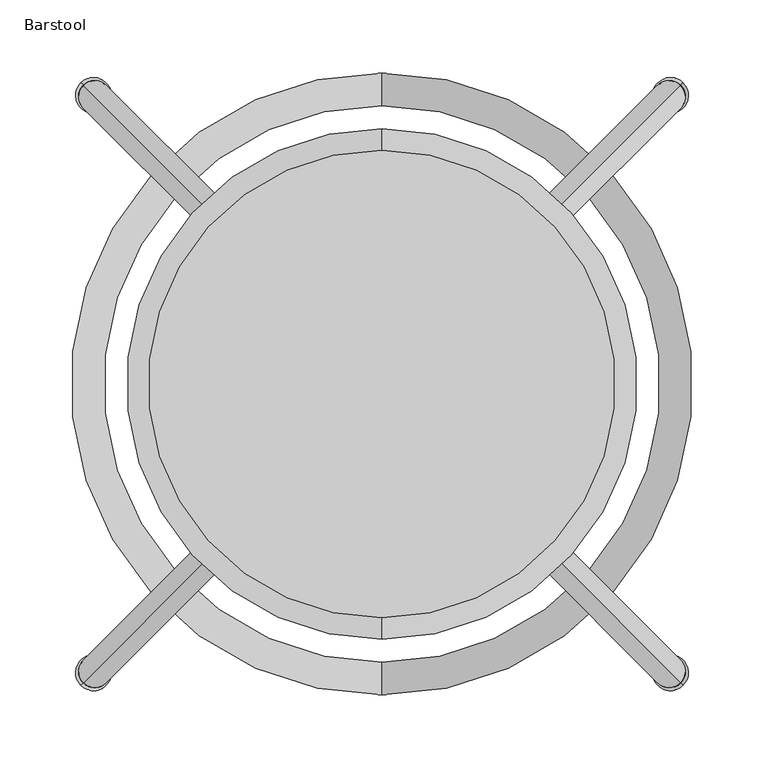
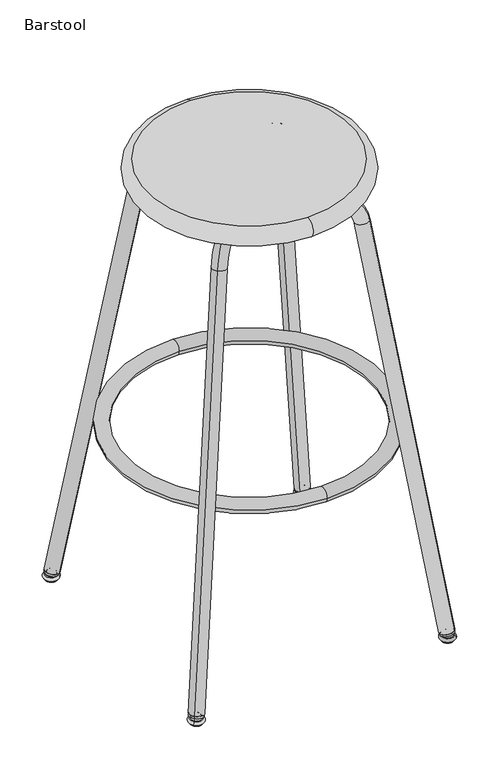
"""IFC4 building model written with IfcOpenShell, lengths in millimetres: furniture geometry, Barstool."""

from ifc_helpers import new_model, si_unit, point, frame, origin, origin_2d, place, context, project, spatial, circle_curve, ellipse_curve, trimmed, segment, composite_curve, outline, extrude, source, transform, mapped, element, save
from ifc_brep_helpers import plane_surface, cylinder_surface, revolved_surface, advanced_brep


def barstool_68993455(model_context):
    return source(origin(), model_context, "Body", "SolidModel", [
        advanced_brep(
        [(197.848752, 197.8483342, 16.3000797), (192.2626132, 192.2621954, 8.4000865), (203.4348908, 203.4344729, 8.4000865), (191.0445948, 191.0441769, 8.4000865), (204.6529093, 204.6524914, 8.4000865), (191.1893838, 191.1889659, 3.1000115), (204.5081203, 204.5077024, 3.1000115), (191.1893838, 191.1889659, 1.4499962), (204.5081203, 204.5077024, 1.4499962), (192.2146859, 192.2142681, 0.0), (203.4828181, 203.4824003, 0.0), (197.848752, 197.8483342, 0.0)],
        [
            (0, 1, circle_curve(frame((197.848752, 197.8483342, 8.4000865), z_axis=(0.7071067811865481, -0.707106781186547, 0.0), x_axis=(0.707106781186547, 0.7071067811865481, 0.0)), 7.8999932)),
            (1, 2, circle_curve(frame((197.848752, 197.8483342, 8.4000865), z_axis=(0.0, 0.0, 1.0), x_axis=(-0.707106781186547, -0.7071067811865481, 0.0)), 7.8999932)),
            (2, 0, circle_curve(frame((197.848752, 197.8483342, 8.4000865), z_axis=(0.7071067811865458, -0.7071067811865493, 0.0), x_axis=(-0.7071067811865493, -0.7071067811865458, 0.0)), 7.8999932)),
            (2, 1, circle_curve(frame((197.848752, 197.8483342, 8.4000865), z_axis=(0.0, 0.0, 1.0), x_axis=(-0.707106781186547, -0.7071067811865481, 0.0)), 7.8999932)),
            (1, 3),
            (3, 4, circle_curve(frame((197.848752, 197.8483342, 8.4000865), z_axis=(0.0, 0.0, 1.0), x_axis=(-0.707106781186547, -0.7071067811865481, 0.0)), 9.6225315)),
            (4, 2),
            (4, 3, circle_curve(frame((197.848752, 197.8483342, 8.4000865), z_axis=(0.0, 0.0, 1.0), x_axis=(-0.707106781186547, -0.7071067811865481, 0.0)), 9.6225315)),
            (3, 5, circle_curve(frame((191.0445948, 191.0441769, 5.7460936), z_axis=(0.7071067811865481, -0.707106781186547, 0.0), x_axis=(0.707106781186547, 0.7071067811865481, 0.0)), 2.6539929)),
            (5, 6, circle_curve(frame((197.848752, 197.8483342, 3.1000115), z_axis=(0.0, 0.0, 1.0), x_axis=(-0.707106781186547, -0.7071067811865481, 0.0)), 9.4177689)),
            (6, 4, circle_curve(frame((204.6529093, 204.6524914, 5.7460936), z_axis=(0.7071067811865458, -0.7071067811865493, 0.0), x_axis=(-0.7071067811865493, -0.7071067811865458, 0.0)), 2.6539929)),
            (6, 5, circle_curve(frame((197.848752, 197.8483342, 3.1000115), z_axis=(0.0, 0.0, 1.0), x_axis=(-0.707106781186547, -0.7071067811865481, 0.0)), 9.4177689)),
            (5, 7),
            (7, 8, circle_curve(frame((197.848752, 197.8483342, 1.4499962), z_axis=(0.0, 0.0, 1.0), x_axis=(-0.707106781186547, -0.7071067811865481, 0.0)), 9.4177689)),
            (8, 6),
            (8, 7, circle_curve(frame((197.848752, 197.8483342, 1.4499962), z_axis=(0.0, 0.0, 1.0), x_axis=(-0.707106781186547, -0.7071067811865481, 0.0)), 9.4177689)),
            (7, 9, circle_curve(frame((192.2146859, 192.2142681, 1.4499962), z_axis=(0.7071067811865481, -0.707106781186547, 0.0), x_axis=(0.707106781186547, 0.7071067811865481, 0.0)), 1.4499962)),
            (9, 10, circle_curve(frame((197.848752, 197.8483342, 0.0), z_axis=(0.0, 0.0, 1.0), x_axis=(-0.707106781186547, -0.7071067811865481, 0.0)), 7.9677727)),
            (10, 8, circle_curve(frame((203.4828181, 203.4824003, 1.4499962), z_axis=(0.7071067811865458, -0.7071067811865493, 0.0), x_axis=(-0.7071067811865493, -0.7071067811865458, 0.0)), 1.4499962)),
            (10, 9, circle_curve(frame((197.848752, 197.8483342, 0.0), z_axis=(0.0, 0.0, 1.0), x_axis=(-0.707106781186547, -0.7071067811865481, 0.0)), 7.9677727)),
            (9, 11),
            (11, 10),
        ],
        [
            revolved_surface(trimmed(ellipse_curve(frame((197.848752, 197.8483342, 8.4000865), z_axis=(-0.7071067811865481, 0.707106781186547, 0.0), x_axis=(0.707106781186547, 0.7071067811865481, 0.0)), 7.8999932, 7.8999932), [point((192.2626132, 192.2621954, 8.4000865))], [point((197.848752, 197.8483342, 16.3000797))], True, "CARTESIAN"), (197.848752, 197.8483342, 16.3000797), (0.0, 0.0, 1.0)),
            plane_surface(frame((197.848752, 197.8483342, 8.4000865), z_axis=(0.0, 0.0, 1.0000000000000002), x_axis=(-0.707106781186547, -0.7071067811865481, 0.0))),
            revolved_surface(trimmed(ellipse_curve(frame((191.0445948, 191.0441769, 5.7460936), z_axis=(-0.7071067811865481, 0.707106781186547, 0.0), x_axis=(0.707106781186547, 0.7071067811865481, 0.0)), 2.6539929, 2.6539929), [point((191.1893838, 191.1889659, 3.1000115))], [point((191.0445948, 191.0441769, 8.4000865))], True, "CARTESIAN"), (197.848752, 197.8483342, 16.3000797), (0.0, 0.0, 1.0)),
            cylinder_surface(frame((197.848752, 197.8483342, 16.3000797), z_axis=(0.0, 0.0, 1.0), x_axis=(-0.707106781186547, -0.7071067811865481, 0.0)), 9.4177689),
            revolved_surface(trimmed(ellipse_curve(frame((192.2146859, 192.2142681, 1.4499962), z_axis=(-0.7071067811865481, 0.707106781186547, 0.0), x_axis=(0.707106781186547, 0.7071067811865481, 0.0)), 1.4499962, 1.4499962), [point((192.2146859, 192.2142681, 0.0))], [point((191.1893838, 191.1889659, 1.4499962))], True, "CARTESIAN"), (197.848752, 197.8483342, 16.3000797), (0.0, 0.0, 1.0)),
            plane_surface(frame((197.848752, 197.8483342, 0.0), z_axis=(0.0, 0.0, -1.0000000000000002), x_axis=(-0.707106781186547, -0.7071067811865481, 0.0))),
        ],
        [
            (0, [[1, 2, 3]]),
            (0, [[-3, 4, -1]]),
            (1, [[-2, 5, 6, 7]]),
            (1, [[-4, -7, 8, -5]]),
            (2, [[-6, 9, 10, 11]]),
            (2, [[-8, -11, 12, -9]]),
            (3, [[-10, 13, 14, 15]]),
            (3, [[-12, -15, 16, -13]]),
            (4, [[-14, 17, 18, 19]]),
            (4, [[-16, -19, 20, -17]]),
            (5, [[-18, 21, 22]]),
            (5, [[-20, -22, -21]]),
        ],
    ),
        extrude(outline(composite_curve([segment(trimmed(circle_curve(origin_2d(), 10.8808144), [point((1e-07, -10.8808143))], [point((0.0, 10.8808144))], False, "CARTESIAN"), True, "CONTINUOUS"), segment(trimmed(circle_curve(origin_2d(), 10.8808144), [point((0.0, 10.8808144))], [point((1e-07, -10.8808143))], False, "CARTESIAN"), True, "CONTINUOUS")], self_intersect=False)), frame((197.306825, 197.3064071, 12.0385897), z_axis=(-0.12580943590184507, -0.1258094359018453, 0.9840447000396471), x_axis=(-0.7071067811865481, 0.7071067811865469, 0.0)), (0.0, 0.0, 1.0), 3.0595967),
        advanced_brep(
        [(189.1686646, 189.1682467, 13.0668423), (204.6751331, 204.6747152, 17.0318969), (120.1861909, 120.185773, 677.8677465), (104.6797179, 104.6793, 673.9027268), (84.5809729, 84.580555, 697.6482886), (84.5809729, 84.580555, 719.9333237), (0.0002089, -0.0002089, 697.6482886), (0.0002089, -0.0002089, 719.9333237)],
        [
            (0, 1, circle_curve(frame((196.9218988, 196.921481, 15.0493696), z_axis=(0.1258116490323875, 0.12581164903238776, -0.9840441341400815), x_axis=(0.6958242802372958, 0.6958242802372967, 0.17792454036612648)), 11.1425176)),
            (1, 0, circle_curve(frame((196.9218988, 196.921481, 15.0493696), z_axis=(0.1258116490323875, 0.12581164903238776, -0.9840441341400815), x_axis=(0.6958242802372958, 0.6958242802372967, 0.17792454036612648)), 11.1425176)),
            (1, 2),
            (2, 3, circle_curve(frame((112.4329566, 112.4325388, 675.8852192), z_axis=(0.12580943590184662, 0.12580943590184682, -0.9840447000396468), x_axis=(0.6958246803887159, 0.6958246803887167, 0.17792141052690016)), 11.1425176)),
            (3, 0),
            (3, 2, circle_curve(frame((112.4329566, 112.4325388, 675.8852192), z_axis=(0.12580943590184662, 0.12580943590184682, -0.9840447000396468), x_axis=(0.6958246803887159, 0.6958246803887167, 0.17792141052690016)), 11.1425176)),
            (4, 3, circle_curve(frame((84.5809729, 84.580555, 668.7635054), z_axis=(-0.7071067811865481, 0.707106781186547, 0.0), x_axis=(0.6958246803887158, 0.6958246803887168, 0.17792141052690022)), 28.8847832)),
            (2, 5, circle_curve(frame((84.5809729, 84.580555, 668.7635054), z_axis=(0.7071067811865481, -0.707106781186547, 0.0), x_axis=(0.6958246803887158, 0.6958246803887168, 0.17792141052690022)), 51.1698183)),
            (5, 4, circle_curve(frame((84.5809729, 84.580555, 708.7908062), z_axis=(0.707106781186547, 0.7071067811865481, 0.0), x_axis=(0.0, 0.0, 1.0000000000000002)), 11.1425176)),
            (4, 5, circle_curve(frame((84.5809729, 84.580555, 708.7908062), z_axis=(0.7071067811865471, 0.7071067811865481, 0.0), x_axis=(0.0, 0.0, 1.0000000000000002)), 11.1425176)),
            (6, 7, circle_curve(frame((0.0002089, -0.0002089, 708.7908062), z_axis=(-0.707106781186547, -0.7071067811865481, 0.0), x_axis=(0.0, 0.0, 1.0)), 11.1425176)),
            (7, 6, circle_curve(frame((0.0002089, -0.0002089, 708.7908062), z_axis=(-0.707106781186547, -0.7071067811865481, 0.0), x_axis=(0.0, 0.0, 1.0)), 11.1425176)),
            (5, 7),
            (6, 4),
        ],
        [
            plane_surface(frame((196.9218988, 196.921481, 15.0493696), z_axis=(0.1258116490323875, 0.12581164903238776, -0.9840441341400816), x_axis=(-0.7071067811865481, 0.707106781186547, 0.0))),
            cylinder_surface(frame((196.9218988, 196.921481, 15.0493696), z_axis=(0.1258116490323875, 0.12581164903238776, -0.9840441341400815), x_axis=(0.6958242802372958, 0.6958242802372967, 0.17792454036612648)), 11.1425176),
            revolved_surface(trimmed(ellipse_curve(frame((112.4329566, 112.4325388, 675.8852192), z_axis=(0.12580943590184662, 0.12580943590184682, -0.9840447000396468), x_axis=(0.6958246803887159, 0.6958246803887167, 0.17792141052690016)), 11.1425176, 11.1425176), [point((120.1861953, 120.1857775, 677.8677116))], [point((104.6797179, 104.6793, 673.9027268))], True, "CARTESIAN"), (84.5809729, 84.580555, 668.7635054), (0.7071067811865481, -0.707106781186547, 0.0)),
            revolved_surface(trimmed(ellipse_curve(frame((112.4329566, 112.4325388, 675.8852192), z_axis=(0.12580943590184662, 0.12580943590184682, -0.9840447000396468), x_axis=(0.6958246803887159, 0.6958246803887167, 0.17792141052690016)), 11.1425176, 11.1425176), [point((104.6797179, 104.6793, 673.9027268))], [point((120.1861953, 120.1857775, 677.8677116))], True, "CARTESIAN"), (84.5809729, 84.580555, 668.7635054), (0.7071067811865481, -0.707106781186547, 0.0)),
            plane_surface(frame((0.0002089, -0.0002089, 708.7908062), z_axis=(-0.707106781186547, -0.707106781186548, 0.0), x_axis=(-0.707106781186548, 0.707106781186547, 0.0))),
            cylinder_surface(frame((84.5809729, 84.580555, 708.7908062), z_axis=(0.7071067811865469, 0.707106781186548, 0.0), x_axis=(0.0, 0.0, 1.0)), 11.1425176),
        ],
        [
            (0, [[1, 2]]),
            (1, [[-2, 3, 4, 5]]),
            (1, [[-1, -5, 6, -3]]),
            (2, [[7, -4, 8, 9]]),
            (3, [[-8, -6, -7, 10]]),
            (4, [[11, 12]]),
            (5, [[-9, 13, -11, 14]]),
            (5, [[-10, -14, -12, -13]]),
        ],
    ),
        advanced_brep(
        [(197.848752, -197.848752, 16.3000797), (192.2626132, -192.2626132, 8.4000865), (203.4348908, -203.4348908, 8.4000865), (191.0445948, -191.0445948, 8.4000865), (204.6529093, -204.6529093, 8.4000865), (191.1893838, -191.1893838, 3.1000115), (204.5081203, -204.5081203, 3.1000115), (191.1893838, -191.1893838, 1.4499962), (204.5081203, -204.5081203, 1.4499962), (192.2146859, -192.2146859, 0.0), (203.4828181, -203.4828181, 0.0), (197.848752, -197.848752, 0.0)],
        [
            (0, 1, circle_curve(frame((197.848752, -197.848752, 8.4000865), z_axis=(-0.707106781186547, -0.7071067811865481, 0.0), x_axis=(0.7071067811865481, -0.707106781186547, 0.0)), 7.8999932)),
            (1, 2, circle_curve(frame((197.848752, -197.848752, 8.4000865), z_axis=(0.0, 0.0, 1.0), x_axis=(-0.7071067811865481, 0.707106781186547, 0.0)), 7.8999932)),
            (2, 0, circle_curve(frame((197.848752, -197.848752, 8.4000865), z_axis=(-0.7071067811865493, -0.7071067811865458, 0.0), x_axis=(-0.7071067811865458, 0.7071067811865493, 0.0)), 7.8999932)),
            (2, 1, circle_curve(frame((197.848752, -197.848752, 8.4000865), z_axis=(0.0, 0.0, 1.0), x_axis=(-0.7071067811865481, 0.707106781186547, 0.0)), 7.8999932)),
            (1, 3),
            (3, 4, circle_curve(frame((197.848752, -197.848752, 8.4000865), z_axis=(0.0, 0.0, 1.0), x_axis=(-0.7071067811865481, 0.707106781186547, 0.0)), 9.6225315)),
            (4, 2),
            (4, 3, circle_curve(frame((197.848752, -197.848752, 8.4000865), z_axis=(0.0, 0.0, 1.0), x_axis=(-0.7071067811865481, 0.707106781186547, 0.0)), 9.6225315)),
            (3, 5, circle_curve(frame((191.0445948, -191.0445948, 5.7460936), z_axis=(-0.707106781186547, -0.7071067811865481, 0.0), x_axis=(0.7071067811865481, -0.707106781186547, 0.0)), 2.6539929)),
            (5, 6, circle_curve(frame((197.848752, -197.848752, 3.1000115), z_axis=(0.0, 0.0, 1.0), x_axis=(-0.7071067811865481, 0.707106781186547, 0.0)), 9.4177689)),
            (6, 4, circle_curve(frame((204.6529093, -204.6529093, 5.7460936), z_axis=(-0.7071067811865493, -0.7071067811865458, 0.0), x_axis=(-0.7071067811865458, 0.7071067811865493, 0.0)), 2.6539929)),
            (6, 5, circle_curve(frame((197.848752, -197.848752, 3.1000115), z_axis=(0.0, 0.0, 1.0), x_axis=(-0.7071067811865481, 0.707106781186547, 0.0)), 9.4177689)),
            (5, 7),
            (7, 8, circle_curve(frame((197.848752, -197.848752, 1.4499962), z_axis=(0.0, 0.0, 1.0), x_axis=(-0.7071067811865481, 0.707106781186547, 0.0)), 9.4177689)),
            (8, 6),
            (8, 7, circle_curve(frame((197.848752, -197.848752, 1.4499962), z_axis=(0.0, 0.0, 1.0), x_axis=(-0.7071067811865481, 0.707106781186547, 0.0)), 9.4177689)),
            (7, 9, circle_curve(frame((192.2146859, -192.2146859, 1.4499962), z_axis=(-0.707106781186547, -0.7071067811865481, 0.0), x_axis=(0.7071067811865481, -0.707106781186547, 0.0)), 1.4499962)),
            (9, 10, circle_curve(frame((197.848752, -197.848752, 0.0), z_axis=(0.0, 0.0, 1.0), x_axis=(-0.7071067811865481, 0.707106781186547, 0.0)), 7.9677727)),
            (10, 8, circle_curve(frame((203.4828181, -203.4828181, 1.4499962), z_axis=(-0.7071067811865493, -0.7071067811865458, 0.0), x_axis=(-0.7071067811865458, 0.7071067811865493, 0.0)), 1.4499962)),
            (10, 9, circle_curve(frame((197.848752, -197.848752, 0.0), z_axis=(0.0, 0.0, 1.0), x_axis=(-0.7071067811865481, 0.707106781186547, 0.0)), 7.9677727)),
            (9, 11),
            (11, 10),
        ],
        [
            revolved_surface(trimmed(ellipse_curve(frame((197.848752, -197.848752, 8.4000865), z_axis=(0.707106781186547, 0.7071067811865481, 0.0), x_axis=(0.7071067811865481, -0.707106781186547, 0.0)), 7.8999932, 7.8999932), [point((192.2626132, -192.2626132, 8.4000865))], [point((197.848752, -197.848752, 16.3000797))], True, "CARTESIAN"), (197.848752, -197.848752, 16.3000797), (0.0, 0.0, 1.0)),
            plane_surface(frame((197.848752, -197.848752, 8.4000865), z_axis=(0.0, 0.0, 1.0000000000000002), x_axis=(-0.7071067811865481, 0.707106781186547, 0.0))),
            revolved_surface(trimmed(ellipse_curve(frame((191.0445948, -191.0445948, 5.7460936), z_axis=(0.707106781186547, 0.7071067811865481, 0.0), x_axis=(0.7071067811865481, -0.707106781186547, 0.0)), 2.6539929, 2.6539929), [point((191.1893838, -191.1893838, 3.1000115))], [point((191.0445948, -191.0445948, 8.4000865))], True, "CARTESIAN"), (197.848752, -197.848752, 16.3000797), (0.0, 0.0, 1.0)),
            cylinder_surface(frame((197.848752, -197.848752, 16.3000797), z_axis=(0.0, 0.0, 1.0), x_axis=(-0.7071067811865481, 0.707106781186547, 0.0)), 9.4177689),
            revolved_surface(trimmed(ellipse_curve(frame((192.2146859, -192.2146859, 1.4499962), z_axis=(0.707106781186547, 0.7071067811865481, 0.0), x_axis=(0.7071067811865481, -0.707106781186547, 0.0)), 1.4499962, 1.4499962), [point((192.2146859, -192.2146859, 0.0))], [point((191.1893838, -191.1893838, 1.4499962))], True, "CARTESIAN"), (197.848752, -197.848752, 16.3000797), (0.0, 0.0, 1.0)),
            plane_surface(frame((197.848752, -197.848752, 0.0), z_axis=(0.0, 0.0, -1.0000000000000002), x_axis=(-0.7071067811865481, 0.707106781186547, 0.0))),
        ],
        [
            (0, [[1, 2, 3]]),
            (0, [[-3, 4, -1]]),
            (1, [[-2, 5, 6, 7]]),
            (1, [[-4, -7, 8, -5]]),
            (2, [[-6, 9, 10, 11]]),
            (2, [[-8, -11, 12, -9]]),
            (3, [[-10, 13, 14, 15]]),
            (3, [[-12, -15, 16, -13]]),
            (4, [[-14, 17, 18, 19]]),
            (4, [[-16, -19, 20, -17]]),
            (5, [[-18, 21, 22]]),
            (5, [[-20, -22, -21]]),
        ],
    ),
        extrude(outline(composite_curve([segment(trimmed(circle_curve(origin_2d(), 10.8808144), [point((0.0, -10.8808142))], [point((0.0, 10.8808144))], False, "CARTESIAN"), True, "CONTINUOUS"), segment(trimmed(circle_curve(origin_2d(), 10.8808144), [point((0.0, 10.8808144))], [point((0.0, -10.8808142))], False, "CARTESIAN"), True, "CONTINUOUS")], self_intersect=False)), frame((197.306825, -197.306825, 12.0385897), z_axis=(-0.12580943590184526, 0.1258094359018451, 0.9840447000396471), x_axis=(0.707106781186547, 0.707106781186548, 0.0)), (0.0, 0.0, 1.0), 3.0595967),
        advanced_brep(
        [(189.1686646, -189.1686646, 13.0668423), (204.6751331, -204.6751331, 17.0318969), (120.1861909, -120.1861909, 677.8677465), (104.6797179, -104.6797179, 673.9027268), (84.5809729, -84.5809729, 697.6482886), (84.5809729, -84.5809729, 719.9333237), (0.0002089, -0.0002089, 697.6482886), (0.0002089, -0.0002089, 719.9333237)],
        [
            (0, 1, circle_curve(frame((196.9218988, -196.9218988, 15.0493696), z_axis=(0.1258116490323893, -0.12581164903238906, -0.9840441341400811), x_axis=(0.6958242802372964, -0.6958242802372955, 0.17792454036612868)), 11.1425176)),
            (1, 0, circle_curve(frame((196.9218988, -196.9218988, 15.0493696), z_axis=(0.1258116490323893, -0.12581164903238906, -0.9840441341400811), x_axis=(0.6958242802372964, -0.6958242802372955, 0.17792454036612868)), 11.1425176)),
            (1, 2),
            (2, 3, circle_curve(frame((112.4329566, -112.4329566, 675.8852192), z_axis=(0.12580943590184676, -0.12580943590184657, -0.9840447000396468), x_axis=(0.6958246803887168, -0.6958246803887158, 0.17792141052690014)), 11.1425176)),
            (3, 0),
            (3, 2, circle_curve(frame((112.4329566, -112.4329566, 675.8852192), z_axis=(0.12580943590184676, -0.12580943590184657, -0.9840447000396468), x_axis=(0.6958246803887168, -0.6958246803887158, 0.17792141052690014)), 11.1425176)),
            (4, 3, circle_curve(frame((84.5809729, -84.5809729, 668.7635054), z_axis=(0.707106781186547, 0.7071067811865481, 0.0), x_axis=(0.6958246803887168, -0.6958246803887158, 0.17792141052690016)), 28.8847832)),
            (2, 5, circle_curve(frame((84.5809729, -84.5809729, 668.7635054), z_axis=(-0.707106781186547, -0.7071067811865481, 0.0), x_axis=(0.6958246803887168, -0.6958246803887158, 0.17792141052690016)), 51.1698183)),
            (5, 4, circle_curve(frame((84.5809729, -84.5809729, 708.7908062), z_axis=(0.7071067811865481, -0.7071067811865471, 0.0), x_axis=(0.0, 0.0, 1.0000000000000002)), 11.1425176)),
            (4, 5, circle_curve(frame((84.5809729, -84.5809729, 708.7908062), z_axis=(0.7071067811865481, -0.707106781186547, 0.0), x_axis=(0.0, 0.0, 1.0000000000000002)), 11.1425176)),
            (6, 7, circle_curve(frame((0.0002089, -0.0002089, 708.7908062), z_axis=(-0.7071067811865481, 0.707106781186547, 0.0), x_axis=(0.0, 0.0, 1.0)), 11.1425176)),
            (7, 6, circle_curve(frame((0.0002089, -0.0002089, 708.7908062), z_axis=(-0.7071067811865481, 0.707106781186547, 0.0), x_axis=(0.0, 0.0, 1.0)), 11.1425176)),
            (5, 7),
            (6, 4),
        ],
        [
            plane_surface(frame((196.9218988, -196.9218988, 15.0493696), z_axis=(0.12581164903238928, -0.12581164903238912, -0.9840441341400812), x_axis=(0.7071067811865471, 0.707106781186548, 0.0))),
            cylinder_surface(frame((196.9218988, -196.9218988, 15.0493696), z_axis=(0.1258116490323893, -0.12581164903238906, -0.9840441341400811), x_axis=(0.6958242802372964, -0.6958242802372955, 0.17792454036612868)), 11.1425176),
            revolved_surface(trimmed(ellipse_curve(frame((112.4329566, -112.4329566, 675.8852192), z_axis=(0.12580943590184676, -0.12580943590184657, -0.9840447000396468), x_axis=(0.6958246803887168, -0.6958246803887158, 0.17792141052690014)), 11.1425176, 11.1425176), [point((120.1861953, -120.1861953, 677.8677116))], [point((104.6797179, -104.6797179, 673.9027268))], True, "CARTESIAN"), (84.5809729, -84.5809729, 668.7635054), (-0.707106781186547, -0.7071067811865481, 0.0)),
            revolved_surface(trimmed(ellipse_curve(frame((112.4329566, -112.4329566, 675.8852192), z_axis=(0.12580943590184676, -0.12580943590184657, -0.9840447000396468), x_axis=(0.6958246803887168, -0.6958246803887158, 0.17792141052690014)), 11.1425176, 11.1425176), [point((104.6797179, -104.6797179, 673.9027268))], [point((120.1861953, -120.1861953, 677.8677116))], True, "CARTESIAN"), (84.5809729, -84.5809729, 668.7635054), (-0.707106781186547, -0.7071067811865481, 0.0)),
            plane_surface(frame((0.0002089, -0.0002089, 708.7908062), z_axis=(-0.7071067811865481, 0.707106781186547, 0.0), x_axis=(0.707106781186547, 0.7071067811865481, 0.0))),
            cylinder_surface(frame((84.5809729, -84.5809729, 708.7908062), z_axis=(0.7071067811865481, -0.707106781186547, 0.0), x_axis=(0.0, 0.0, 1.0)), 11.1425176),
        ],
        [
            (0, [[1, 2]]),
            (1, [[-2, 3, 4, 5]]),
            (1, [[-1, -5, 6, -3]]),
            (2, [[7, -4, 8, 9]]),
            (3, [[-8, -6, -7, 10]]),
            (4, [[11, 12]]),
            (5, [[-9, 13, -11, 14]]),
            (5, [[-10, -14, -12, -13]]),
        ],
    ),
        advanced_brep(
        [(-203.4348908, 203.4344729, 8.4000865), (-192.2626132, 192.2621954, 8.4000865), (-197.848752, 197.8483342, 16.3000797), (-204.6529093, 204.6524914, 8.4000865), (-191.0445948, 191.0441769, 8.4000865), (-204.5081203, 204.5077024, 3.1000115), (-191.1893838, 191.1889659, 3.1000115), (-204.5081203, 204.5077024, 1.4499962), (-191.1893838, 191.1889659, 1.4499962), (-203.4828181, 203.4824003, 0.0), (-192.2146859, 192.2142681, 0.0), (-197.848752, 197.8483342, 0.0)],
        [
            (0, 1, circle_curve(frame((-197.848752, 197.8483342, 8.4000865), z_axis=(0.0, 0.0, 1.0), x_axis=(0.707106781186547, -0.7071067811865481, 0.0)), 7.8999932)),
            (1, 2, circle_curve(frame((-197.848752, 197.8483342, 8.4000865), z_axis=(-0.7071067811865481, -0.707106781186547, 0.0), x_axis=(-0.707106781186547, 0.7071067811865481, 0.0)), 7.8999932)),
            (2, 0, circle_curve(frame((-197.848752, 197.8483342, 8.4000865), z_axis=(-0.7071067811865458, -0.7071067811865493, 0.0), x_axis=(0.7071067811865493, -0.7071067811865458, 0.0)), 7.8999932)),
            (1, 0, circle_curve(frame((-197.848752, 197.8483342, 8.4000865), z_axis=(0.0, 0.0, 1.0), x_axis=(0.707106781186547, -0.7071067811865481, 0.0)), 7.8999932)),
            (3, 4, circle_curve(frame((-197.848752, 197.8483342, 8.4000865), z_axis=(0.0, 0.0, 1.0), x_axis=(0.707106781186547, -0.7071067811865481, 0.0)), 9.6225315)),
            (4, 1),
            (0, 3),
            (4, 3, circle_curve(frame((-197.848752, 197.8483342, 8.4000865), z_axis=(0.0, 0.0, 1.0), x_axis=(0.707106781186547, -0.7071067811865481, 0.0)), 9.6225315)),
            (5, 6, circle_curve(frame((-197.848752, 197.8483342, 3.1000115), z_axis=(0.0, 0.0, 1.0), x_axis=(0.707106781186547, -0.7071067811865481, 0.0)), 9.4177689)),
            (6, 4, circle_curve(frame((-191.0445948, 191.0441769, 5.7460936), z_axis=(-0.7071067811865481, -0.707106781186547, 0.0), x_axis=(-0.707106781186547, 0.7071067811865481, 0.0)), 2.6539929)),
            (3, 5, circle_curve(frame((-204.6529093, 204.6524914, 5.7460936), z_axis=(-0.7071067811865458, -0.7071067811865493, 0.0), x_axis=(0.7071067811865493, -0.7071067811865458, 0.0)), 2.6539929)),
            (6, 5, circle_curve(frame((-197.848752, 197.8483342, 3.1000115), z_axis=(0.0, 0.0, 1.0), x_axis=(0.707106781186547, -0.7071067811865481, 0.0)), 9.4177689)),
            (7, 8, circle_curve(frame((-197.848752, 197.8483342, 1.4499962), z_axis=(0.0, 0.0, 1.0), x_axis=(0.707106781186547, -0.7071067811865481, 0.0)), 9.4177689)),
            (8, 6),
            (5, 7),
            (8, 7, circle_curve(frame((-197.848752, 197.8483342, 1.4499962), z_axis=(0.0, 0.0, 1.0), x_axis=(0.707106781186547, -0.7071067811865481, 0.0)), 9.4177689)),
            (9, 10, circle_curve(frame((-197.848752, 197.8483342, 0.0), z_axis=(0.0, 0.0, 1.0), x_axis=(0.707106781186547, -0.7071067811865481, 0.0)), 7.9677727)),
            (10, 8, circle_curve(frame((-192.2146859, 192.2142681, 1.4499962), z_axis=(-0.7071067811865481, -0.707106781186547, 0.0), x_axis=(-0.707106781186547, 0.7071067811865481, 0.0)), 1.4499962)),
            (7, 9, circle_curve(frame((-203.4828181, 203.4824003, 1.4499962), z_axis=(-0.7071067811865458, -0.7071067811865493, 0.0), x_axis=(0.7071067811865493, -0.7071067811865458, 0.0)), 1.4499962)),
            (10, 9, circle_curve(frame((-197.848752, 197.8483342, 0.0), z_axis=(0.0, 0.0, 1.0), x_axis=(0.707106781186547, -0.7071067811865481, 0.0)), 7.9677727)),
            (11, 10),
            (9, 11),
        ],
        [
            revolved_surface(trimmed(ellipse_curve(frame((-197.848752, 197.8483342, 8.4000865), z_axis=(0.7071067811865481, 0.707106781186547, 0.0), x_axis=(-0.707106781186547, 0.7071067811865481, 0.0)), 7.8999932, 7.8999932), [point((-197.848752, 197.8483342, 16.3000797))], [point((-192.2626132, 192.2621954, 8.4000865))], True, "CARTESIAN"), (-197.848752, 197.8483342, 16.3000797), (0.0, 0.0, -1.0)),
            plane_surface(frame((-197.848752, 197.8483342, 8.4000865), z_axis=(0.0, 0.0, 1.0000000000000002), x_axis=(0.707106781186547, -0.7071067811865481, 0.0))),
            revolved_surface(trimmed(ellipse_curve(frame((-191.0445948, 191.0441769, 5.7460936), z_axis=(0.7071067811865481, 0.707106781186547, 0.0), x_axis=(-0.707106781186547, 0.7071067811865481, 0.0)), 2.6539929, 2.6539929), [point((-191.0445948, 191.0441769, 8.4000865))], [point((-191.1893838, 191.1889659, 3.1000115))], True, "CARTESIAN"), (-197.848752, 197.8483342, 16.3000797), (0.0, 0.0, -1.0)),
            cylinder_surface(frame((-197.848752, 197.8483342, 16.3000797), z_axis=(0.0, 0.0, -1.0), x_axis=(0.707106781186547, -0.7071067811865481, 0.0)), 9.4177689),
            revolved_surface(trimmed(ellipse_curve(frame((-192.2146859, 192.2142681, 1.4499962), z_axis=(0.7071067811865481, 0.707106781186547, 0.0), x_axis=(-0.707106781186547, 0.7071067811865481, 0.0)), 1.4499962, 1.4499962), [point((-191.1893838, 191.1889659, 1.4499962))], [point((-192.2146859, 192.2142681, 0.0))], True, "CARTESIAN"), (-197.848752, 197.8483342, 16.3000797), (0.0, 0.0, -1.0)),
            plane_surface(frame((-197.848752, 197.8483342, 0.0), z_axis=(0.0, 0.0, -1.0000000000000002), x_axis=(0.707106781186547, -0.7071067811865481, 0.0))),
        ],
        [
            (0, [[1, 2, 3]]),
            (0, [[4, -3, -2]]),
            (1, [[5, 6, -1, 7]]),
            (1, [[8, -7, -4, -6]]),
            (2, [[9, 10, -5, 11]]),
            (2, [[12, -11, -8, -10]]),
            (3, [[13, 14, -9, 15]]),
            (3, [[16, -15, -12, -14]]),
            (4, [[17, 18, -13, 19]]),
            (4, [[20, -19, -16, -18]]),
            (5, [[21, -17, 22]]),
            (5, [[-22, -20, -21]]),
        ],
    ),
        extrude(outline(composite_curve([segment(trimmed(circle_curve(origin_2d(), 10.8808144), [point((0.0, -10.8808144))], [point((1e-07, 10.8808143))], False, "CARTESIAN"), True, "CONTINUOUS"), segment(trimmed(circle_curve(origin_2d(), 10.8808144), [point((1e-07, 10.8808143))], [point((0.0, -10.8808144))], False, "CARTESIAN"), True, "CONTINUOUS")], self_intersect=False)), frame((-197.306825, 197.3064071, 12.0385897), z_axis=(0.12580943590184507, -0.1258094359018453, 0.9840447000396471), x_axis=(0.7071067811865481, 0.7071067811865469, 0.0)), (0.0, 0.0, 1.0), 3.0595967),
        advanced_brep(
        [(-204.6751331, 204.6747152, 17.0318969), (-189.1686646, 189.1682467, 13.0668423), (-120.1861909, 120.185773, 677.8677465), (-104.6797179, 104.6793, 673.9027268), (-84.5809729, 84.580555, 697.6482886), (-84.5809729, 84.580555, 719.9333237), (-0.0002089, -0.0002089, 719.9333237), (-0.0002089, -0.0002089, 697.6482886)],
        [
            (0, 1, circle_curve(frame((-196.9218988, 196.921481, 15.0493696), z_axis=(-0.12581164903238656, 0.12581164903238679, -0.9840441341400817), x_axis=(0.6958242802372959, -0.6958242802372969, -0.17792454036612512)), 11.1425176)),
            (1, 0, circle_curve(frame((-196.9218988, 196.921481, 15.0493696), z_axis=(-0.12581164903238656, 0.12581164903238679, -0.9840441341400817), x_axis=(0.6958242802372959, -0.6958242802372969, -0.17792454036612512)), 11.1425176)),
            (0, 2),
            (2, 3, circle_curve(frame((-112.4329566, 112.4325388, 675.8852192), z_axis=(-0.12580943590184657, 0.12580943590184682, -0.9840447000396468), x_axis=(0.6958246803887159, -0.6958246803887167, -0.17792141052690014)), 11.1425176)),
            (3, 1),
            (3, 2, circle_curve(frame((-112.4329566, 112.4325388, 675.8852192), z_axis=(-0.12580943590184657, 0.12580943590184682, -0.9840447000396468), x_axis=(0.6958246803887159, -0.6958246803887167, -0.17792141052690014)), 11.1425176)),
            (4, 3, circle_curve(frame((-84.5809729, 84.580555, 668.7635054), z_axis=(-0.7071067811865481, -0.707106781186547, 0.0), x_axis=(-0.6958246803887158, 0.6958246803887168, 0.17792141052690022)), 28.8847832)),
            (2, 5, circle_curve(frame((-84.5809729, 84.580555, 668.7635054), z_axis=(0.7071067811865481, 0.707106781186547, 0.0), x_axis=(-0.6958246803887158, 0.6958246803887168, 0.17792141052690022)), 51.1698183)),
            (5, 4, circle_curve(frame((-84.5809729, 84.580555, 708.7908062), z_axis=(-0.7071067811865471, 0.7071067811865481, 0.0), x_axis=(0.0, 0.0, -1.0000000000000002)), 11.1425176)),
            (4, 5, circle_curve(frame((-84.5809729, 84.580555, 708.7908062), z_axis=(-0.7071067811865471, 0.7071067811865481, 0.0), x_axis=(0.0, 0.0, -1.0000000000000002)), 11.1425176)),
            (6, 7, circle_curve(frame((-0.0002089, -0.0002089, 708.7908062), z_axis=(0.707106781186547, -0.7071067811865481, 0.0), x_axis=(0.0, 0.0, -1.0)), 11.1425176)),
            (7, 6, circle_curve(frame((-0.0002089, -0.0002089, 708.7908062), z_axis=(0.707106781186547, -0.7071067811865481, 0.0), x_axis=(0.0, 0.0, -1.0)), 11.1425176)),
            (5, 6),
            (7, 4),
        ],
        [
            plane_surface(frame((-196.9218988, 196.921481, 15.0493696), z_axis=(-0.1258116490323866, 0.12581164903238679, -0.9840441341400817), x_axis=(0.7071067811865481, 0.707106781186547, 0.0))),
            cylinder_surface(frame((-196.9218988, 196.921481, 15.0493696), z_axis=(-0.12581164903238656, 0.12581164903238679, -0.9840441341400817), x_axis=(0.6958242802372959, -0.6958242802372969, -0.17792454036612512)), 11.1425176),
            revolved_surface(trimmed(ellipse_curve(frame((-112.4329566, 112.4325388, 675.8852192), z_axis=(-0.12580943590184657, 0.12580943590184682, -0.9840447000396468), x_axis=(0.6958246803887159, -0.6958246803887167, -0.17792141052690014)), 11.1425176, 11.1425176), [point((-120.1861953, 120.1857775, 677.8677116))], [point((-104.6797179, 104.6793, 673.9027268))], True, "CARTESIAN"), (-84.5809729, 84.580555, 668.7635054), (0.7071067811865481, 0.707106781186547, 0.0)),
            revolved_surface(trimmed(ellipse_curve(frame((-112.4329566, 112.4325388, 675.8852192), z_axis=(-0.12580943590184657, 0.12580943590184682, -0.9840447000396468), x_axis=(0.6958246803887159, -0.6958246803887167, -0.17792141052690014)), 11.1425176, 11.1425176), [point((-104.6797179, 104.6793, 673.9027268))], [point((-120.1861953, 120.1857775, 677.8677116))], True, "CARTESIAN"), (-84.5809729, 84.580555, 668.7635054), (0.7071067811865481, 0.707106781186547, 0.0)),
            plane_surface(frame((-0.0002089, -0.0002089, 708.7908062), z_axis=(0.707106781186547, -0.7071067811865482, 0.0), x_axis=(0.7071067811865482, 0.707106781186547, 0.0))),
            cylinder_surface(frame((-84.5809729, 84.580555, 708.7908062), z_axis=(-0.7071067811865469, 0.707106781186548, 0.0), x_axis=(0.0, 0.0, -1.0)), 11.1425176),
        ],
        [
            (0, [[1, 2]]),
            (1, [[-1, 3, 4, 5]]),
            (1, [[-2, -5, 6, -3]]),
            (2, [[7, -4, 8, 9]]),
            (3, [[-8, -6, -7, 10]]),
            (4, [[11, 12]]),
            (5, [[-9, 13, -12, 14]]),
            (5, [[-10, -14, -11, -13]]),
        ],
    ),
        advanced_brep(
        [(-203.4348908, -203.4348908, 8.4000865), (-192.2626132, -192.2626132, 8.4000865), (-197.848752, -197.848752, 16.3000797), (-204.6529093, -204.6529093, 8.4000865), (-191.0445948, -191.0445948, 8.4000865), (-204.5081203, -204.5081203, 3.1000115), (-191.1893838, -191.1893838, 3.1000115), (-204.5081203, -204.5081203, 1.4499962), (-191.1893838, -191.1893838, 1.4499962), (-203.4828181, -203.4828181, 0.0), (-192.2146859, -192.2146859, 0.0), (-197.848752, -197.848752, 0.0)],
        [
            (0, 1, circle_curve(frame((-197.848752, -197.848752, 8.4000865), z_axis=(0.0, 0.0, 1.0), x_axis=(0.7071067811865481, 0.707106781186547, 0.0)), 7.8999932)),
            (1, 2, circle_curve(frame((-197.848752, -197.848752, 8.4000865), z_axis=(0.707106781186547, -0.7071067811865481, 0.0), x_axis=(-0.7071067811865481, -0.707106781186547, 0.0)), 7.8999932)),
            (2, 0, circle_curve(frame((-197.848752, -197.848752, 8.4000865), z_axis=(0.7071067811865493, -0.7071067811865458, 0.0), x_axis=(0.7071067811865458, 0.7071067811865493, 0.0)), 7.8999932)),
            (1, 0, circle_curve(frame((-197.848752, -197.848752, 8.4000865), z_axis=(0.0, 0.0, 1.0), x_axis=(0.7071067811865481, 0.707106781186547, 0.0)), 7.8999932)),
            (3, 4, circle_curve(frame((-197.848752, -197.848752, 8.4000865), z_axis=(0.0, 0.0, 1.0), x_axis=(0.7071067811865481, 0.707106781186547, 0.0)), 9.6225315)),
            (4, 1),
            (0, 3),
            (4, 3, circle_curve(frame((-197.848752, -197.848752, 8.4000865), z_axis=(0.0, 0.0, 1.0), x_axis=(0.7071067811865481, 0.707106781186547, 0.0)), 9.6225315)),
            (5, 6, circle_curve(frame((-197.848752, -197.848752, 3.1000115), z_axis=(0.0, 0.0, 1.0), x_axis=(0.7071067811865481, 0.707106781186547, 0.0)), 9.4177689)),
            (6, 4, circle_curve(frame((-191.0445948, -191.0445948, 5.7460936), z_axis=(0.707106781186547, -0.7071067811865481, 0.0), x_axis=(-0.7071067811865481, -0.707106781186547, 0.0)), 2.6539929)),
            (3, 5, circle_curve(frame((-204.6529093, -204.6529093, 5.7460936), z_axis=(0.7071067811865493, -0.7071067811865458, 0.0), x_axis=(0.7071067811865458, 0.7071067811865493, 0.0)), 2.6539929)),
            (6, 5, circle_curve(frame((-197.848752, -197.848752, 3.1000115), z_axis=(0.0, 0.0, 1.0), x_axis=(0.7071067811865481, 0.707106781186547, 0.0)), 9.4177689)),
            (7, 8, circle_curve(frame((-197.848752, -197.848752, 1.4499962), z_axis=(0.0, 0.0, 1.0), x_axis=(0.7071067811865481, 0.707106781186547, 0.0)), 9.4177689)),
            (8, 6),
            (5, 7),
            (8, 7, circle_curve(frame((-197.848752, -197.848752, 1.4499962), z_axis=(0.0, 0.0, 1.0), x_axis=(0.7071067811865481, 0.707106781186547, 0.0)), 9.4177689)),
            (9, 10, circle_curve(frame((-197.848752, -197.848752, 0.0), z_axis=(0.0, 0.0, 1.0), x_axis=(0.7071067811865481, 0.707106781186547, 0.0)), 7.9677727)),
            (10, 8, circle_curve(frame((-192.2146859, -192.2146859, 1.4499962), z_axis=(0.707106781186547, -0.7071067811865481, 0.0), x_axis=(-0.7071067811865481, -0.707106781186547, 0.0)), 1.4499962)),
            (7, 9, circle_curve(frame((-203.4828181, -203.4828181, 1.4499962), z_axis=(0.7071067811865493, -0.7071067811865458, 0.0), x_axis=(0.7071067811865458, 0.7071067811865493, 0.0)), 1.4499962)),
            (10, 9, circle_curve(frame((-197.848752, -197.848752, 0.0), z_axis=(0.0, 0.0, 1.0), x_axis=(0.7071067811865481, 0.707106781186547, 0.0)), 7.9677727)),
            (11, 10),
            (9, 11),
        ],
        [
            revolved_surface(trimmed(ellipse_curve(frame((-197.848752, -197.848752, 8.4000865), z_axis=(-0.707106781186547, 0.7071067811865481, 0.0), x_axis=(-0.7071067811865481, -0.707106781186547, 0.0)), 7.8999932, 7.8999932), [point((-197.848752, -197.848752, 16.3000797))], [point((-192.2626132, -192.2626132, 8.4000865))], True, "CARTESIAN"), (-197.848752, -197.848752, 16.3000797), (0.0, 0.0, -1.0)),
            plane_surface(frame((-197.848752, -197.848752, 8.4000865), z_axis=(0.0, 0.0, 1.0000000000000002), x_axis=(0.7071067811865481, 0.707106781186547, 0.0))),
            revolved_surface(trimmed(ellipse_curve(frame((-191.0445948, -191.0445948, 5.7460936), z_axis=(-0.707106781186547, 0.7071067811865481, 0.0), x_axis=(-0.7071067811865481, -0.707106781186547, 0.0)), 2.6539929, 2.6539929), [point((-191.0445948, -191.0445948, 8.4000865))], [point((-191.1893838, -191.1893838, 3.1000115))], True, "CARTESIAN"), (-197.848752, -197.848752, 16.3000797), (0.0, 0.0, -1.0)),
            cylinder_surface(frame((-197.848752, -197.848752, 16.3000797), z_axis=(0.0, 0.0, -1.0), x_axis=(0.7071067811865481, 0.707106781186547, 0.0)), 9.4177689),
            revolved_surface(trimmed(ellipse_curve(frame((-192.2146859, -192.2146859, 1.4499962), z_axis=(-0.707106781186547, 0.7071067811865481, 0.0), x_axis=(-0.7071067811865481, -0.707106781186547, 0.0)), 1.4499962, 1.4499962), [point((-191.1893838, -191.1893838, 1.4499962))], [point((-192.2146859, -192.2146859, 0.0))], True, "CARTESIAN"), (-197.848752, -197.848752, 16.3000797), (0.0, 0.0, -1.0)),
            plane_surface(frame((-197.848752, -197.848752, 0.0), z_axis=(0.0, 0.0, -1.0000000000000002), x_axis=(0.7071067811865481, 0.707106781186547, 0.0))),
        ],
        [
            (0, [[1, 2, 3]]),
            (0, [[4, -3, -2]]),
            (1, [[5, 6, -1, 7]]),
            (1, [[8, -7, -4, -6]]),
            (2, [[9, 10, -5, 11]]),
            (2, [[12, -11, -8, -10]]),
            (3, [[13, 14, -9, 15]]),
            (3, [[16, -15, -12, -14]]),
            (4, [[17, 18, -13, 19]]),
            (4, [[20, -19, -16, -18]]),
            (5, [[21, -17, 22]]),
            (5, [[-22, -20, -21]]),
        ],
    ),
        extrude(outline(composite_curve([segment(trimmed(circle_curve(origin_2d(), 10.8808144), [point((0.0, -10.8808144))], [point((0.0, 10.8808142))], False, "CARTESIAN"), True, "CONTINUOUS"), segment(trimmed(circle_curve(origin_2d(), 10.8808144), [point((0.0, 10.8808142))], [point((0.0, -10.8808144))], False, "CARTESIAN"), True, "CONTINUOUS")], self_intersect=False)), frame((-197.306825, -197.306825, 12.0385897), z_axis=(0.12580943590184526, 0.1258094359018451, 0.9840447000396471), x_axis=(-0.707106781186547, 0.707106781186548, 0.0)), (0.0, 0.0, 1.0), 3.0595967),
        advanced_brep(
        [(-204.6751331, -204.6751331, 17.0318969), (-189.1686646, -189.1686646, 13.0668423), (-120.1861909, -120.1861909, 677.8677465), (-104.6797179, -104.6797179, 673.9027268), (-84.5809729, -84.5809729, 697.6482886), (-84.5809729, -84.5809729, 719.9333237), (-0.0002089, -0.0002089, 719.9333237), (-0.0002089, -0.0002089, 697.6482886)],
        [
            (0, 1, circle_curve(frame((-196.9218988, -196.9218988, 15.0493696), z_axis=(-0.12581164903238817, -0.12581164903238803, -0.9840441341400814), x_axis=(0.6958242802372965, 0.6958242802372958, -0.17792454036612715)), 11.1425176)),
            (1, 0, circle_curve(frame((-196.9218988, -196.9218988, 15.0493696), z_axis=(-0.12581164903238817, -0.12581164903238803, -0.9840441341400814), x_axis=(0.6958242802372965, 0.6958242802372958, -0.17792454036612715)), 11.1425176)),
            (0, 2),
            (2, 3, circle_curve(frame((-112.4329566, -112.4329566, 675.8852192), z_axis=(-0.12580943590184673, -0.1258094359018466, -0.9840447000396468), x_axis=(0.6958246803887164, 0.6958246803887163, -0.17792141052690014)), 11.1425176)),
            (3, 1),
            (3, 2, circle_curve(frame((-112.4329566, -112.4329566, 675.8852192), z_axis=(-0.12580943590184673, -0.1258094359018466, -0.9840447000396468), x_axis=(0.6958246803887164, 0.6958246803887163, -0.17792141052690014)), 11.1425176)),
            (4, 3, circle_curve(frame((-84.5809729, -84.5809729, 668.7635054), z_axis=(0.707106781186547, -0.7071067811865481, 0.0), x_axis=(-0.6958246803887168, -0.6958246803887158, 0.17792141052690016)), 28.8847832)),
            (2, 5, circle_curve(frame((-84.5809729, -84.5809729, 668.7635054), z_axis=(-0.707106781186547, 0.7071067811865481, 0.0), x_axis=(-0.6958246803887168, -0.6958246803887158, 0.17792141052690016)), 51.1698183)),
            (5, 4, circle_curve(frame((-84.5809729, -84.5809729, 708.7908062), z_axis=(-0.7071067811865481, -0.7071067811865471, 0.0), x_axis=(0.0, 0.0, -1.0)), 11.1425176)),
            (4, 5, circle_curve(frame((-84.5809729, -84.5809729, 708.7908062), z_axis=(-0.7071067811865481, -0.707106781186547, 0.0), x_axis=(0.0, 0.0, -1.0000000000000002)), 11.1425176)),
            (6, 7, circle_curve(frame((-0.0002089, -0.0002089, 708.7908062), z_axis=(0.7071067811865481, 0.707106781186547, 0.0), x_axis=(0.0, 0.0, -1.0)), 11.1425176)),
            (7, 6, circle_curve(frame((-0.0002089, -0.0002089, 708.7908062), z_axis=(0.7071067811865481, 0.707106781186547, 0.0), x_axis=(0.0, 0.0, -1.0)), 11.1425176)),
            (5, 6),
            (7, 4),
        ],
        [
            plane_surface(frame((-196.9218988, -196.9218988, 15.0493696), z_axis=(-0.12581164903238823, -0.12581164903238806, -0.9840441341400814), x_axis=(-0.7071067811865469, 0.7071067811865482, 0.0))),
            cylinder_surface(frame((-196.9218988, -196.9218988, 15.0493696), z_axis=(-0.12581164903238817, -0.12581164903238803, -0.9840441341400814), x_axis=(0.6958242802372965, 0.6958242802372958, -0.17792454036612715)), 11.1425176),
            revolved_surface(trimmed(ellipse_curve(frame((-112.4329566, -112.4329566, 675.8852192), z_axis=(-0.12580943590184673, -0.1258094359018466, -0.9840447000396468), x_axis=(0.6958246803887164, 0.6958246803887163, -0.17792141052690014)), 11.1425176, 11.1425176), [point((-120.1861953, -120.1861953, 677.8677116))], [point((-104.6797179, -104.6797179, 673.9027268))], True, "CARTESIAN"), (-84.5809729, -84.5809729, 668.7635054), (-0.707106781186547, 0.7071067811865481, 0.0)),
            revolved_surface(trimmed(ellipse_curve(frame((-112.4329566, -112.4329566, 675.8852192), z_axis=(-0.12580943590184673, -0.1258094359018466, -0.9840447000396468), x_axis=(0.6958246803887164, 0.6958246803887163, -0.17792141052690014)), 11.1425176, 11.1425176), [point((-104.6797179, -104.6797179, 673.9027268))], [point((-120.1861953, -120.1861953, 677.8677116))], True, "CARTESIAN"), (-84.5809729, -84.5809729, 668.7635054), (-0.707106781186547, 0.7071067811865481, 0.0)),
            plane_surface(frame((-0.0002089, -0.0002089, 708.7908062), z_axis=(0.7071067811865481, 0.707106781186547, 0.0), x_axis=(-0.707106781186547, 0.7071067811865481, 0.0))),
            cylinder_surface(frame((-84.5809729, -84.5809729, 708.7908062), z_axis=(-0.7071067811865481, -0.707106781186547, 0.0), x_axis=(0.0, 0.0, -1.0)), 11.1425176),
        ],
        [
            (0, [[1, 2]]),
            (1, [[-1, 3, 4, 5]]),
            (1, [[-2, -5, 6, -3]]),
            (2, [[7, -4, 8, 9]]),
            (3, [[-8, -6, -7, 10]]),
            (4, [[11, 12]]),
            (5, [[-9, 13, -12, 14]]),
            (5, [[-10, -14, -11, -13]]),
        ],
    ),
        advanced_brep(
        [(0.0, -160.2786886, 720.09), (0.0, 160.2786886, 720.09), (0.0, 160.2786886, 749.808), (0.0, -160.2786886, 749.808)],
        [
            (0, 1, circle_curve(frame((0.0, 0.0, 720.09), z_axis=(0.0, 0.0, 1.0), x_axis=(0.0, 1.0, 0.0)), 160.2786886)),
            (1, 2, circle_curve(frame((0.0, 160.2786886, 734.949), z_axis=(1.0, 0.0, 0.0), x_axis=(0.0, 1.0, 0.0)), 14.859)),
            (2, 3, circle_curve(frame((0.0, 0.0, 749.808), z_axis=(0.0, 0.0, -1.0), x_axis=(0.0, 1.0, 0.0)), 160.2786886)),
            (3, 0, circle_curve(frame((0.0, -160.2786886, 734.949), z_axis=(1.0, 0.0, 0.0), x_axis=(0.0, -1.0, 0.0)), 14.859)),
            (2, 3, circle_curve(frame((0.0, 0.0, 749.808), z_axis=(0.0, 0.0, 1.0), x_axis=(0.0, -1.0, 0.0)), 160.2786886)),
            (1, 0, circle_curve(frame((0.0, 0.0, 720.09), z_axis=(0.0, 0.0, 1.0), x_axis=(0.0, -1.0, 0.0)), 160.2786886)),
        ],
        [
            revolved_surface(trimmed(ellipse_curve(frame((0.0, 160.2786886, 734.949), z_axis=(-1.0, 0.0, 0.0), x_axis=(0.0, 1.0, 0.0)), 14.859, 14.859), [point((0.0, 160.2786886, 749.808))], [point((0.0, 160.2786886, 720.09))], True, "CARTESIAN"), (0.0, 0.0, 734.8982), (0.0, 0.0, -1.0)),
            plane_surface(frame((0.0, 0.0, 749.808), z_axis=(0.0, 0.0, 1.0), x_axis=(0.0, -1.0, 0.0))),
            revolved_surface(trimmed(ellipse_curve(frame((0.0, -160.2786886, 734.949), z_axis=(1.0, 0.0, 0.0), x_axis=(0.0, -1.0, 0.0)), 14.859, 14.859), [point((0.0, -160.2786886, 749.808))], [point((0.0, -160.2786886, 720.09))], True, "CARTESIAN"), (0.0, 0.0, 734.8982), (0.0, 0.0, -1.0)),
            plane_surface(frame((0.0, 0.0, 720.09), z_axis=(0.0, 0.0, -1.0), x_axis=(0.0, -1.0, 0.0))),
        ],
        [
            (0, [[1, 2, 3, 4]]),
            (1, [[5, -3]]),
            (2, [[6, -4, -5, -2]]),
            (3, [[-6, -1]]),
        ],
    ),
        advanced_brep(
        [(0.0, -213.1639478, 313.817), (0.0, 213.1639478, 313.817), (0.0, 190.8804527, 313.817), (0.0, -190.8804527, 313.817)],
        [
            (0, 1, circle_curve(frame((0.0, 0.0, 313.817), z_axis=(0.0, 0.0, 1.0), x_axis=(0.0, 1.0, 0.0)), 213.1639478)),
            (1, 2, circle_curve(frame((0.0, 202.0222002, 313.817), z_axis=(1.0, 0.0, 0.0), x_axis=(0.0, 1.0, 0.0)), 11.1417476)),
            (2, 3, circle_curve(frame((0.0, 0.0, 313.817), z_axis=(0.0, 0.0, -1.0), x_axis=(0.0, 1.0, 0.0)), 190.8804527)),
            (3, 0, circle_curve(frame((0.0, -202.0222002, 313.817), z_axis=(1.0, 0.0, 0.0), x_axis=(0.0, -1.0, 0.0)), 11.1417476)),
            (2, 1, circle_curve(frame((0.0, 202.0222002, 313.817), z_axis=(1.0, 0.0, 0.0), x_axis=(0.0, 1.0, 0.0)), 11.1417476)),
            (0, 3, circle_curve(frame((0.0, -202.0222002, 313.817), z_axis=(1.0, 0.0, 0.0), x_axis=(0.0, -1.0, 0.0)), 11.1417476)),
            (1, 0, circle_curve(frame((0.0, 0.0, 313.817), z_axis=(0.0, 0.0, 1.0), x_axis=(0.0, -1.0, 0.0)), 213.1639478)),
            (3, 2, circle_curve(frame((0.0, 0.0, 313.817), z_axis=(0.0, 0.0, -1.0), x_axis=(0.0, -1.0, 0.0)), 190.8804527)),
        ],
        [
            revolved_surface(trimmed(ellipse_curve(frame((0.0, 202.0222002, 313.817), z_axis=(-1.0, 0.0, 0.0), x_axis=(0.0, 1.0, 0.0)), 11.1417476, 11.1417476), [point((0.0, 190.8804527, 313.817))], [point((0.0, 213.1639478, 313.817))], True, "CARTESIAN"), (0.0, 0.0, 313.817), (0.0, 0.0, -1.0)),
            revolved_surface(trimmed(ellipse_curve(frame((0.0, 202.0222002, 313.817), z_axis=(-1.0, 0.0, 0.0), x_axis=(0.0, 1.0, 0.0)), 11.1417476, 11.1417476), [point((0.0, 213.1639478, 313.817))], [point((0.0, 190.8804527, 313.817))], True, "CARTESIAN"), (0.0, 0.0, 313.817), (0.0, 0.0, -1.0)),
            revolved_surface(trimmed(ellipse_curve(frame((0.0, -202.0222002, 313.817), z_axis=(1.0, 0.0, 0.0), x_axis=(0.0, -1.0, 0.0)), 11.1417476, 11.1417476), [point((0.0, -190.8804527, 313.817))], [point((0.0, -213.1639478, 313.817))], True, "CARTESIAN"), (0.0, 0.0, 313.817), (0.0, 0.0, -1.0)),
            revolved_surface(trimmed(ellipse_curve(frame((0.0, -202.0222002, 313.817), z_axis=(1.0, 0.0, 0.0), x_axis=(0.0, -1.0, 0.0)), 11.1417476, 11.1417476), [point((0.0, -213.1639478, 313.817))], [point((0.0, -190.8804527, 313.817))], True, "CARTESIAN"), (0.0, 0.0, 313.817), (0.0, 0.0, -1.0)),
        ],
        [
            (0, [[1, 2, 3, 4]]),
            (1, [[-3, 5, -1, 6]]),
            (2, [[7, -4, 8, -2]]),
            (3, [[-8, -6, -7, -5]]),
        ],
    ),
    ])


if __name__ == "__main__":
    model = new_model("IFC4")
    model_context = context("Model", 3, world=origin())
    ifc_project = project(units=[si_unit("LENGTHUNIT", "METRE", prefix="MILLI")], contexts=[model_context])
    site = spatial("IfcSite", under=ifc_project)
    building = spatial("IfcBuilding", under=site)
    placement = place(None, origin())
    barstool_shape = barstool_68993455(model_context)
    element("IfcFurniture", 1, ObjectType="Barstool", at=placement, inside=building, context=model_context, shape_type="MappedRepresentation", body=[
        mapped(barstool_shape, transform((0.0, 0.0, 0.0), x_axis=(1.0, 0.0, 0.0), y_axis=(0.0, 1.0, 0.0), z_axis=(0.0, 0.0, 1.0))),
    ])
    save(model, "model.ifc")
